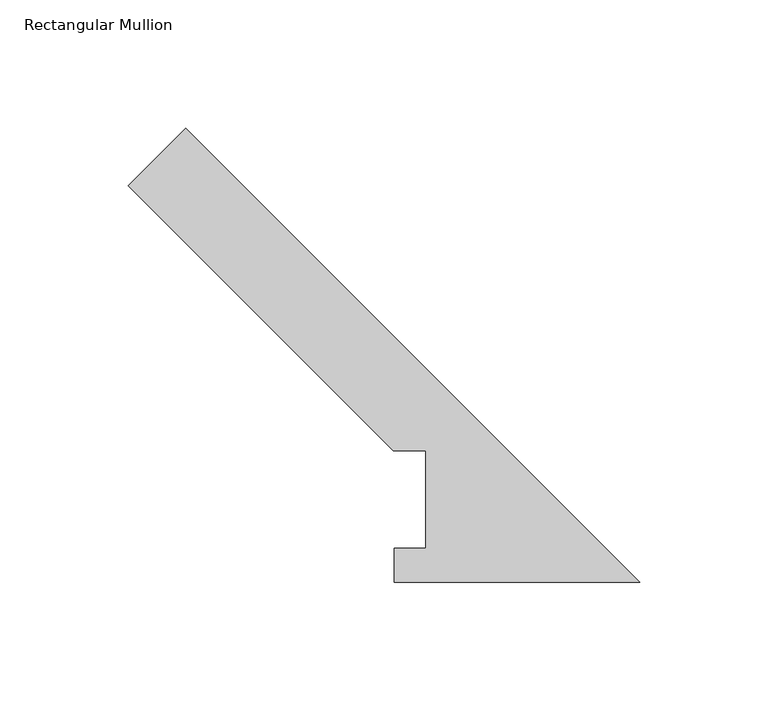
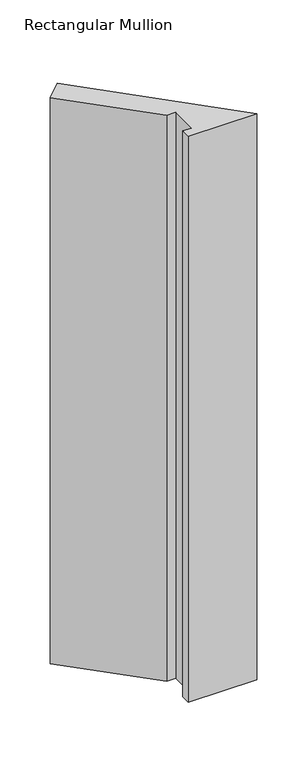
"""IFC4 building model written with IfcOpenShell, lengths in millimetres: member geometry, Rectangular Mullion."""

from ifc_helpers import new_model, si_unit, frame, origin, place, context, project, spatial, polyline, outline, extrude, source, transform, mapped, element, save


def rectangular_mullion_7184d5b4(model_context):
    return source(origin(), model_context, "Body", "SweptSolid", [
        extrude(outline(polyline([(-199.4709459, 154.5869997), (-177.0203056, 177.03764), (0.0, 0.0173344), (-95.7961125, 0.0173344), (-95.7961125, 13.1903275), (-83.48004, 13.1903275), (-83.48004, 51.2960938), (-96.18004, 51.2960938), (-199.4709459, 154.5869997)])), frame((0.0, 0.0, -838.2), z_axis=(0.0, 0.0, 1.0), x_axis=(1.0, 0.0, 0.0)), (0.0, 0.0, 1.0), 838.2),
    ])


if __name__ == "__main__":
    model = new_model("IFC4")
    model_context = context("Model", 3, world=origin())
    ifc_project = project(units=[si_unit("LENGTHUNIT", "METRE", prefix="MILLI")], contexts=[model_context])
    site = spatial("IfcSite", under=ifc_project)
    building = spatial("IfcBuilding", under=site)
    placement = place(None, origin())
    rectangular_mullion_shape = rectangular_mullion_7184d5b4(model_context)
    element("IfcMember", 1, ObjectType="Rectangular Mullion", at=placement, inside=building, context=model_context, shape_type="MappedRepresentation", body=[
        mapped(rectangular_mullion_shape, transform((0.0, 0.0, 0.0), x_axis=(1.0, 0.0, 0.0), y_axis=(0.0, 1.0, 0.0), z_axis=(0.0, 0.0, 1.0))),
    ])
    save(model, "model.ifc")
